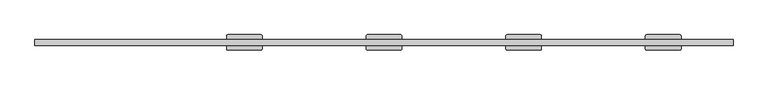
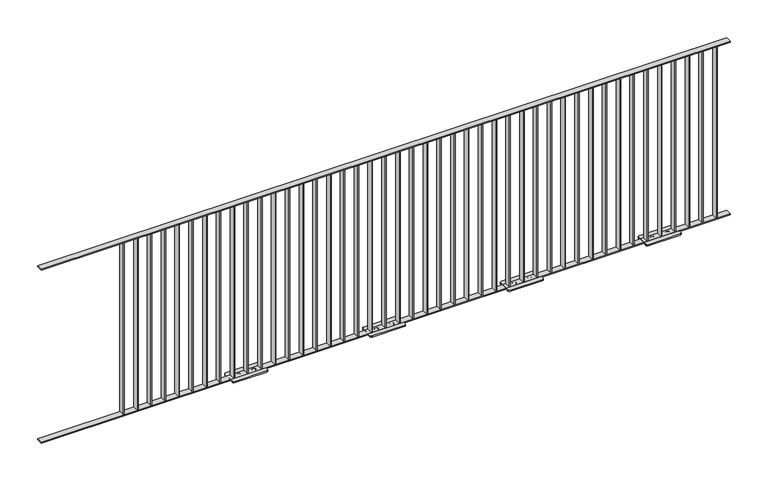
"""IFC4 building model written with IfcOpenShell, lengths in millimetres: railing geometry."""

from ifc_helpers import new_model, si_unit, frame, origin, origin_with_axes, place, context, project, spatial, polyline, circle_curve, outline, extrude, source, transform, mapped, element, save
from ifc_brep_helpers import plane_surface, cylinder_surface, revolved_surface, advanced_brep


def railing_85cb8473(model_context):
    return source(origin(), model_context, "Body", "SolidModel", [
        extrude(outline(polyline([(8392.4391725, -978.0676747), (8392.4391725, -938.0676747), (12892.4391725, -938.0676747), (12892.4391725, -978.0676747), (8392.4391725, -978.0676747)])), frame((0.0, 0.0, 1192.0), z_axis=(0.0, 0.0, 1.0), x_axis=(1.0, 0.0, 0.0)), (0.0, 0.0, 1.0), 8.0),
        extrude(outline(polyline([(8392.4391725, -978.0676747), (8392.4391725, -938.0676747), (12892.4391725, -938.0676747), (12892.4391725, -978.0676747), (8392.4391725, -978.0676747)])), origin_with_axes(), (0.0, 0.0, 1.0), 8.0),
        extrude(outline(polyline([(12799.4391725, -938.0676747), (12805.4391725, -938.0676747), (12805.4391725, -978.0676747), (12799.4391725, -978.0676747), (12799.4391725, -938.0676747)])), frame((0.0, 0.0, 8.0), z_axis=(0.0, 0.0, 1.0), x_axis=(1.0, 0.0, 0.0)), (0.0, 0.0, 1.0), 1184.0),
        extrude(outline(polyline([(12709.4391725, -938.0676747), (12715.4391725, -938.0676747), (12715.4391725, -978.0676747), (12709.4391725, -978.0676747), (12709.4391725, -938.0676747)])), frame((0.0, 0.0, 8.0), z_axis=(0.0, 0.0, 1.0), x_axis=(1.0, 0.0, 0.0)), (0.0, 0.0, 1.0), 1184.0),
        extrude(outline(polyline([(12619.4391725, -938.0676747), (12625.4391725, -938.0676747), (12625.4391725, -978.0676747), (12619.4391725, -978.0676747), (12619.4391725, -938.0676747)])), frame((0.0, 0.0, 8.0), z_axis=(0.0, 0.0, 1.0), x_axis=(1.0, 0.0, 0.0)), (0.0, 0.0, 1.0), 1184.0),
        extrude(outline(polyline([(12529.4391725, -938.0676747), (12535.4391725, -938.0676747), (12535.4391725, -978.0676747), (12529.4391725, -978.0676747), (12529.4391725, -938.0676747)])), frame((0.0, 0.0, 8.0), z_axis=(0.0, 0.0, 1.0), x_axis=(1.0, 0.0, 0.0)), (0.0, 0.0, 1.0), 1184.0),
        advanced_brep(
        [(12439.4391725, -978.0676747, 1192.0), (12439.4391725, -978.0676747, 8.0), (12445.4391725, -978.0676747, 8.0), (12445.4391725, -978.0676747, 1192.0), (12439.4391725, -938.0676747, 1192.0), (12445.4391725, -938.0676747, 1192.0), (12445.4391725, -938.0676747, 8.0), (12439.4391725, -938.0676747, 8.0), (12337.4391725, -908.0676747, 8.0), (12327.4391725, -918.0676747, 8.0), (12327.4391725, -998.0676747, 8.0), (12337.4391725, -1008.0676747, 8.0), (12547.4391725, -1008.0676747, 8.0), (12557.4391725, -998.0676747, 8.0), (12557.4391725, -918.0676747, 8.0), (12547.4391725, -908.0676747, 8.0), (12388.4391725, -951.0676747, 8.0), (12396.4391725, -951.0676747, 8.0), (12396.4391725, -965.0676747, 8.0), (12388.4391725, -965.0676747, 8.0), (12496.4391725, -951.0676747, 8.0), (12496.4391725, -965.0676747, 8.0), (12488.4391725, -965.0676747, 8.0), (12488.4391725, -951.0676747, 8.0), (12337.4391725, -908.0676747, 0.0), (12547.4391725, -908.0676747, 0.0), (12557.4391725, -918.0676747, 0.0), (12557.4391725, -998.0676747, 0.0), (12547.4391725, -1008.0676747, 0.0), (12337.4391725, -1008.0676747, 0.0), (12327.4391725, -998.0676747, 0.0), (12327.4391725, -918.0676747, 0.0), (12388.4391725, -951.0676747, 0.0), (12388.4391725, -965.0676747, 0.0), (12396.4391725, -965.0676747, 0.0), (12396.4391725, -951.0676747, 0.0), (12496.4391725, -951.0676747, 0.0), (12488.4391725, -951.0676747, 0.0), (12488.4391725, -965.0676747, 0.0), (12496.4391725, -965.0676747, 0.0)],
        [
            (0, 1),
            (1, 2),
            (2, 3),
            (3, 0),
            (4, 5),
            (5, 6),
            (6, 7),
            (7, 4),
            (3, 5),
            (4, 0),
            (7, 1),
            (2, 6),
            (8, 9, circle_curve(frame((12337.4391725, -918.0676747, 8.0), z_axis=(0.0, 0.0, 1.0), x_axis=(0.0, 1.0, 0.0)), 10.0)),
            (9, 10),
            (10, 11, circle_curve(frame((12337.4391725, -998.0676747, 8.0), z_axis=(0.0, 0.0, 1.0), x_axis=(0.0, 1.0, 0.0)), 10.0)),
            (11, 12),
            (12, 13, circle_curve(frame((12547.4391725, -998.0676747, 8.0), z_axis=(0.0, 0.0, 1.0), x_axis=(0.0, 1.0, 0.0)), 10.0)),
            (13, 14),
            (14, 15, circle_curve(frame((12547.4391725, -918.0676747, 8.0), z_axis=(0.0, 0.0, 1.0), x_axis=(0.0, 1.0, 0.0)), 10.0)),
            (15, 8),
            (16, 17),
            (17, 18, circle_curve(frame((12396.4391725, -958.0676747, 8.0), z_axis=(0.0, 0.0, -1.0), x_axis=(0.0, 1.0, 0.0)), 7.0)),
            (18, 19),
            (19, 16, circle_curve(frame((12388.4391725, -958.0676747, 8.0), z_axis=(0.0, 0.0, -1.0), x_axis=(0.0, 1.0, 0.0)), 7.0)),
            (20, 21, circle_curve(frame((12496.4391725, -958.0676747, 8.0), z_axis=(0.0, 0.0, -1.0), x_axis=(0.0, 1.0, 0.0)), 7.0)),
            (21, 22),
            (22, 23, circle_curve(frame((12488.4391725, -958.0676747, 8.0), z_axis=(0.0, 0.0, -1.0), x_axis=(0.0, 1.0, 0.0)), 7.0)),
            (23, 20),
            (24, 25),
            (25, 26, circle_curve(frame((12547.4391725, -918.0676747, 0.0), z_axis=(0.0, 0.0, -1.0), x_axis=(0.0, 1.0, 0.0)), 10.0)),
            (26, 27),
            (27, 28, circle_curve(frame((12547.4391725, -998.0676747, 0.0), z_axis=(0.0, 0.0, -1.0), x_axis=(0.0, 1.0, 0.0)), 10.0)),
            (28, 29),
            (29, 30, circle_curve(frame((12337.4391725, -998.0676747, 0.0), z_axis=(0.0, 0.0, -1.0), x_axis=(0.0, 1.0, 0.0)), 10.0)),
            (30, 31),
            (31, 24, circle_curve(frame((12337.4391725, -918.0676747, 0.0), z_axis=(0.0, 0.0, -1.0), x_axis=(0.0, 1.0, 0.0)), 10.0)),
            (32, 33, circle_curve(frame((12388.4391725, -958.0676747, 0.0), z_axis=(0.0, 0.0, 1.0), x_axis=(0.0, 1.0, 0.0)), 7.0)),
            (33, 34),
            (34, 35, circle_curve(frame((12396.4391725, -958.0676747, 0.0), z_axis=(0.0, 0.0, 1.0), x_axis=(0.0, 1.0, 0.0)), 7.0)),
            (35, 32),
            (36, 37),
            (37, 38, circle_curve(frame((12488.4391725, -958.0676747, 0.0), z_axis=(0.0, 0.0, 1.0), x_axis=(0.0, 1.0, 0.0)), 7.0)),
            (38, 39),
            (39, 36, circle_curve(frame((12496.4391725, -958.0676747, 0.0), z_axis=(0.0, 0.0, 1.0), x_axis=(0.0, 1.0, 0.0)), 7.0)),
            (8, 24),
            (31, 9),
            (30, 10),
            (29, 11),
            (28, 12),
            (27, 13),
            (26, 14),
            (25, 15),
            (16, 32),
            (35, 17),
            (34, 18),
            (33, 19),
            (20, 36),
            (39, 21),
            (38, 22),
            (37, 23),
        ],
        [
            plane_surface(frame((12439.4391725, -978.0676747, 1192.0), z_axis=(0.0, -1.0, 0.0), x_axis=(-1.0, 0.0, 0.0))),
            plane_surface(frame((12439.4391725, -938.0676747, 1192.0), z_axis=(0.0, 1.0, 0.0), x_axis=(1.0, 0.0, 0.0))),
            plane_surface(frame((12439.4391725, -938.0676747, 1192.0), z_axis=(0.0, 0.0, 1.0), x_axis=(0.0, -1.0, 0.0))),
            plane_surface(frame((12439.4391725, -938.0676747, 8.0), z_axis=(-1.0, 0.0, 0.0), x_axis=(0.0, -1.0, 0.0))),
            plane_surface(frame((12445.4391725, -938.0676747, 1192.0), z_axis=(1.0, 0.0, 0.0), x_axis=(0.0, -1.0, 0.0))),
            plane_surface(frame((12337.4391725, -908.0676747, 8.0), z_axis=(0.0, 0.0, 1.0), x_axis=(-1.0, 0.0, 0.0))),
            plane_surface(frame((12337.4391725, -908.0676747, 0.0), z_axis=(0.0, 0.0, -1.0), x_axis=(1.0, 0.0, 0.0))),
            cylinder_surface(frame((12337.4391725, -918.0676747, 0.0), z_axis=(0.0, 0.0, 1.0), x_axis=(0.0, 1.0, 0.0)), 10.0),
            plane_surface(frame((12327.4391725, -918.0676747, 8.0), z_axis=(-1.0, 0.0, 0.0), x_axis=(0.0, 0.0, -1.0))),
            cylinder_surface(frame((12337.4391725, -998.0676747, 0.0), z_axis=(0.0, 0.0, 1.0), x_axis=(0.0, 1.0, 0.0)), 10.0),
            plane_surface(frame((12337.4391725, -1008.0676747, 8.0), z_axis=(0.0, -1.0, 0.0), x_axis=(0.0, 0.0, -1.0))),
            cylinder_surface(frame((12547.4391725, -998.0676747, 0.0), z_axis=(0.0, 0.0, 1.0), x_axis=(0.0, 1.0, 0.0)), 10.0),
            plane_surface(frame((12557.4391725, -998.0676747, 8.0), z_axis=(1.0, 0.0, 0.0), x_axis=(0.0, 0.0, -1.0))),
            cylinder_surface(frame((12547.4391725, -918.0676747, 0.0), z_axis=(0.0, 0.0, 1.0), x_axis=(0.0, 1.0, 0.0)), 10.0),
            plane_surface(frame((12547.4391725, -908.0676747, 8.0), z_axis=(0.0, 1.0, 0.0), x_axis=(0.0, 0.0, -1.0))),
            plane_surface(frame((12388.4391725, -951.0676747, 8.0), z_axis=(0.0, -1.0, 0.0), x_axis=(0.0, 0.0, -1.0))),
            revolved_surface(polyline([(12396.4391725, -951.0676747, 0.0), (12396.4391725, -951.0676747, 8.0)]), (12396.4391725, -958.0676747, 8.0), (0.0, 0.0, -1.0)),
            plane_surface(frame((12396.4391725, -965.0676747, 8.0), z_axis=(0.0, 1.0, 0.0), x_axis=(0.0, 0.0, -1.0))),
            revolved_surface(polyline([(12388.4391725, -951.0676747, 0.0), (12388.4391725, -951.0676747, 8.0)]), (12388.4391725, -958.0676747, 8.0), (0.0, 0.0, -1.0)),
            revolved_surface(polyline([(12496.4391725, -951.0676747, 0.0), (12496.4391725, -951.0676747, 8.0)]), (12496.4391725, -958.0676747, 8.0), (0.0, 0.0, -1.0)),
            plane_surface(frame((12496.4391725, -965.0676747, 8.0), z_axis=(0.0, 1.0, 0.0), x_axis=(0.0, 0.0, -1.0))),
            revolved_surface(polyline([(12488.4391725, -951.0676747, 0.0), (12488.4391725, -951.0676747, 8.0)]), (12488.4391725, -958.0676747, 8.0), (0.0, 0.0, -1.0)),
            plane_surface(frame((12488.4391725, -951.0676747, 8.0), z_axis=(0.0, -1.0, 0.0), x_axis=(0.0, 0.0, -1.0))),
        ],
        [
            (0, [[1, 2, 3, 4]]),
            (1, [[5, 6, 7, 8]]),
            (2, [[-4, 9, -5, 10]]),
            (3, [[-1, -10, -8, 11]]),
            (4, [[-3, 12, -6, -9]]),
            (5, [[13, 14, 15, 16, 17, 18, 19, 20], [-2, -11, -7, -12], [21, 22, 23, 24], [25, 26, 27, 28]]),
            (6, [[29, 30, 31, 32, 33, 34, 35, 36], [37, 38, 39, 40], [41, 42, 43, 44]]),
            (7, [[-13, 45, -36, 46]]),
            (8, [[-14, -46, -35, 47]]),
            (9, [[-15, -47, -34, 48]]),
            (10, [[-16, -48, -33, 49]]),
            (11, [[-17, -49, -32, 50]]),
            (12, [[-18, -50, -31, 51]]),
            (13, [[-19, -51, -30, 52]]),
            (14, [[-20, -52, -29, -45]]),
            (15, [[-21, 53, -40, 54]]),
            (16, [[-22, -54, -39, 55]]),
            (17, [[-23, -55, -38, 56]]),
            (18, [[-24, -56, -37, -53]]),
            (19, [[-25, 57, -44, 58]]),
            (20, [[-26, -58, -43, 59]]),
            (21, [[-27, -59, -42, 60]]),
            (22, [[-28, -60, -41, -57]]),
        ],
    ),
        extrude(outline(polyline([(12349.4391725, -938.0676747), (12355.4391725, -938.0676747), (12355.4391725, -978.0676747), (12349.4391725, -978.0676747), (12349.4391725, -938.0676747)])), frame((0.0, 0.0, 8.0), z_axis=(0.0, 0.0, 1.0), x_axis=(1.0, 0.0, 0.0)), (0.0, 0.0, 1.0), 1184.0),
        extrude(outline(polyline([(12259.4391725, -938.0676747), (12265.4391725, -938.0676747), (12265.4391725, -978.0676747), (12259.4391725, -978.0676747), (12259.4391725, -938.0676747)])), frame((0.0, 0.0, 8.0), z_axis=(0.0, 0.0, 1.0), x_axis=(1.0, 0.0, 0.0)), (0.0, 0.0, 1.0), 1184.0),
        extrude(outline(polyline([(12169.4391725, -938.0676747), (12175.4391725, -938.0676747), (12175.4391725, -978.0676747), (12169.4391725, -978.0676747), (12169.4391725, -938.0676747)])), frame((0.0, 0.0, 8.0), z_axis=(0.0, 0.0, 1.0), x_axis=(1.0, 0.0, 0.0)), (0.0, 0.0, 1.0), 1184.0),
        extrude(outline(polyline([(12079.4391725, -938.0676747), (12085.4391725, -938.0676747), (12085.4391725, -978.0676747), (12079.4391725, -978.0676747), (12079.4391725, -938.0676747)])), frame((0.0, 0.0, 8.0), z_axis=(0.0, 0.0, 1.0), x_axis=(1.0, 0.0, 0.0)), (0.0, 0.0, 1.0), 1184.0),
        extrude(outline(polyline([(11989.4391725, -938.0676747), (11995.4391725, -938.0676747), (11995.4391725, -978.0676747), (11989.4391725, -978.0676747), (11989.4391725, -938.0676747)])), frame((0.0, 0.0, 8.0), z_axis=(0.0, 0.0, 1.0), x_axis=(1.0, 0.0, 0.0)), (0.0, 0.0, 1.0), 1184.0),
        extrude(outline(polyline([(11899.4391725, -938.0676747), (11905.4391725, -938.0676747), (11905.4391725, -978.0676747), (11899.4391725, -978.0676747), (11899.4391725, -938.0676747)])), frame((0.0, 0.0, 8.0), z_axis=(0.0, 0.0, 1.0), x_axis=(1.0, 0.0, 0.0)), (0.0, 0.0, 1.0), 1184.0),
        extrude(outline(polyline([(11809.4391725, -938.0676747), (11815.4391725, -938.0676747), (11815.4391725, -978.0676747), (11809.4391725, -978.0676747), (11809.4391725, -938.0676747)])), frame((0.0, 0.0, 8.0), z_axis=(0.0, 0.0, 1.0), x_axis=(1.0, 0.0, 0.0)), (0.0, 0.0, 1.0), 1184.0),
        extrude(outline(polyline([(11719.4391725, -938.0676747), (11725.4391725, -938.0676747), (11725.4391725, -978.0676747), (11719.4391725, -978.0676747), (11719.4391725, -938.0676747)])), frame((0.0, 0.0, 8.0), z_axis=(0.0, 0.0, 1.0), x_axis=(1.0, 0.0, 0.0)), (0.0, 0.0, 1.0), 1184.0),
        extrude(outline(polyline([(11629.4391725, -938.0676747), (11635.4391725, -938.0676747), (11635.4391725, -978.0676747), (11629.4391725, -978.0676747), (11629.4391725, -938.0676747)])), frame((0.0, 0.0, 8.0), z_axis=(0.0, 0.0, 1.0), x_axis=(1.0, 0.0, 0.0)), (0.0, 0.0, 1.0), 1184.0),
        advanced_brep(
        [(11539.4391725, -978.0676747, 1192.0), (11539.4391725, -978.0676747, 8.0), (11545.4391725, -978.0676747, 8.0), (11545.4391725, -978.0676747, 1192.0), (11539.4391725, -938.0676747, 1192.0), (11545.4391725, -938.0676747, 1192.0), (11545.4391725, -938.0676747, 8.0), (11539.4391725, -938.0676747, 8.0), (11437.4391725, -908.0676747, 8.0), (11427.4391725, -918.0676747, 8.0), (11427.4391725, -998.0676747, 8.0), (11437.4391725, -1008.0676747, 8.0), (11647.4391725, -1008.0676747, 8.0), (11657.4391725, -998.0676747, 8.0), (11657.4391725, -918.0676747, 8.0), (11647.4391725, -908.0676747, 8.0), (11488.4391725, -951.0676747, 8.0), (11496.4391725, -951.0676747, 8.0), (11496.4391725, -965.0676747, 8.0), (11488.4391725, -965.0676747, 8.0), (11596.4391725, -951.0676747, 8.0), (11596.4391725, -965.0676747, 8.0), (11588.4391725, -965.0676747, 8.0), (11588.4391725, -951.0676747, 8.0), (11437.4391725, -908.0676747, 0.0), (11647.4391725, -908.0676747, 0.0), (11657.4391725, -918.0676747, 0.0), (11657.4391725, -998.0676747, 0.0), (11647.4391725, -1008.0676747, 0.0), (11437.4391725, -1008.0676747, 0.0), (11427.4391725, -998.0676747, 0.0), (11427.4391725, -918.0676747, 0.0), (11488.4391725, -951.0676747, 0.0), (11488.4391725, -965.0676747, 0.0), (11496.4391725, -965.0676747, 0.0), (11496.4391725, -951.0676747, 0.0), (11596.4391725, -951.0676747, 0.0), (11588.4391725, -951.0676747, 0.0), (11588.4391725, -965.0676747, 0.0), (11596.4391725, -965.0676747, 0.0)],
        [
            (0, 1),
            (1, 2),
            (2, 3),
            (3, 0),
            (4, 5),
            (5, 6),
            (6, 7),
            (7, 4),
            (3, 5),
            (4, 0),
            (7, 1),
            (2, 6),
            (8, 9, circle_curve(frame((11437.4391725, -918.0676747, 8.0), z_axis=(0.0, 0.0, 1.0), x_axis=(0.0, 1.0, 0.0)), 10.0)),
            (9, 10),
            (10, 11, circle_curve(frame((11437.4391725, -998.0676747, 8.0), z_axis=(0.0, 0.0, 1.0), x_axis=(0.0, 1.0, 0.0)), 10.0)),
            (11, 12),
            (12, 13, circle_curve(frame((11647.4391725, -998.0676747, 8.0), z_axis=(0.0, 0.0, 1.0), x_axis=(0.0, 1.0, 0.0)), 10.0)),
            (13, 14),
            (14, 15, circle_curve(frame((11647.4391725, -918.0676747, 8.0), z_axis=(0.0, 0.0, 1.0), x_axis=(0.0, 1.0, 0.0)), 10.0)),
            (15, 8),
            (16, 17),
            (17, 18, circle_curve(frame((11496.4391725, -958.0676747, 8.0), z_axis=(0.0, 0.0, -1.0), x_axis=(0.0, 1.0, 0.0)), 7.0)),
            (18, 19),
            (19, 16, circle_curve(frame((11488.4391725, -958.0676747, 8.0), z_axis=(0.0, 0.0, -1.0), x_axis=(0.0, 1.0, 0.0)), 7.0)),
            (20, 21, circle_curve(frame((11596.4391725, -958.0676747, 8.0), z_axis=(0.0, 0.0, -1.0), x_axis=(0.0, 1.0, 0.0)), 7.0)),
            (21, 22),
            (22, 23, circle_curve(frame((11588.4391725, -958.0676747, 8.0), z_axis=(0.0, 0.0, -1.0), x_axis=(0.0, 1.0, 0.0)), 7.0)),
            (23, 20),
            (24, 25),
            (25, 26, circle_curve(frame((11647.4391725, -918.0676747, 0.0), z_axis=(0.0, 0.0, -1.0), x_axis=(0.0, 1.0, 0.0)), 10.0)),
            (26, 27),
            (27, 28, circle_curve(frame((11647.4391725, -998.0676747, 0.0), z_axis=(0.0, 0.0, -1.0), x_axis=(0.0, 1.0, 0.0)), 10.0)),
            (28, 29),
            (29, 30, circle_curve(frame((11437.4391725, -998.0676747, 0.0), z_axis=(0.0, 0.0, -1.0), x_axis=(0.0, 1.0, 0.0)), 10.0)),
            (30, 31),
            (31, 24, circle_curve(frame((11437.4391725, -918.0676747, 0.0), z_axis=(0.0, 0.0, -1.0), x_axis=(0.0, 1.0, 0.0)), 10.0)),
            (32, 33, circle_curve(frame((11488.4391725, -958.0676747, 0.0), z_axis=(0.0, 0.0, 1.0), x_axis=(0.0, 1.0, 0.0)), 7.0)),
            (33, 34),
            (34, 35, circle_curve(frame((11496.4391725, -958.0676747, 0.0), z_axis=(0.0, 0.0, 1.0), x_axis=(0.0, 1.0, 0.0)), 7.0)),
            (35, 32),
            (36, 37),
            (37, 38, circle_curve(frame((11588.4391725, -958.0676747, 0.0), z_axis=(0.0, 0.0, 1.0), x_axis=(0.0, 1.0, 0.0)), 7.0)),
            (38, 39),
            (39, 36, circle_curve(frame((11596.4391725, -958.0676747, 0.0), z_axis=(0.0, 0.0, 1.0), x_axis=(0.0, 1.0, 0.0)), 7.0)),
            (8, 24),
            (31, 9),
            (30, 10),
            (29, 11),
            (28, 12),
            (27, 13),
            (26, 14),
            (25, 15),
            (16, 32),
            (35, 17),
            (34, 18),
            (33, 19),
            (20, 36),
            (39, 21),
            (38, 22),
            (37, 23),
        ],
        [
            plane_surface(frame((11539.4391725, -978.0676747, 1192.0), z_axis=(0.0, -1.0, 0.0), x_axis=(-1.0, 0.0, 0.0))),
            plane_surface(frame((11539.4391725, -938.0676747, 1192.0), z_axis=(0.0, 1.0, 0.0), x_axis=(1.0, 0.0, 0.0))),
            plane_surface(frame((11539.4391725, -938.0676747, 1192.0), z_axis=(0.0, 0.0, 1.0), x_axis=(0.0, -1.0, 0.0))),
            plane_surface(frame((11539.4391725, -938.0676747, 8.0), z_axis=(-1.0, 0.0, 0.0), x_axis=(0.0, -1.0, 0.0))),
            plane_surface(frame((11545.4391725, -938.0676747, 1192.0), z_axis=(1.0, 0.0, 0.0), x_axis=(0.0, -1.0, 0.0))),
            plane_surface(frame((11437.4391725, -908.0676747, 8.0), z_axis=(0.0, 0.0, 1.0), x_axis=(-1.0, 0.0, 0.0))),
            plane_surface(frame((11437.4391725, -908.0676747, 0.0), z_axis=(0.0, 0.0, -1.0), x_axis=(1.0, 0.0, 0.0))),
            cylinder_surface(frame((11437.4391725, -918.0676747, 0.0), z_axis=(0.0, 0.0, 1.0), x_axis=(0.0, 1.0, 0.0)), 10.0),
            plane_surface(frame((11427.4391725, -918.0676747, 8.0), z_axis=(-1.0, 0.0, 0.0), x_axis=(0.0, 0.0, -1.0))),
            cylinder_surface(frame((11437.4391725, -998.0676747, 0.0), z_axis=(0.0, 0.0, 1.0), x_axis=(0.0, 1.0, 0.0)), 10.0),
            plane_surface(frame((11437.4391725, -1008.0676747, 8.0), z_axis=(0.0, -1.0, 0.0), x_axis=(0.0, 0.0, -1.0))),
            cylinder_surface(frame((11647.4391725, -998.0676747, 0.0), z_axis=(0.0, 0.0, 1.0), x_axis=(0.0, 1.0, 0.0)), 10.0),
            plane_surface(frame((11657.4391725, -998.0676747, 8.0), z_axis=(1.0, 0.0, 0.0), x_axis=(0.0, 0.0, -1.0))),
            cylinder_surface(frame((11647.4391725, -918.0676747, 0.0), z_axis=(0.0, 0.0, 1.0), x_axis=(0.0, 1.0, 0.0)), 10.0),
            plane_surface(frame((11647.4391725, -908.0676747, 8.0), z_axis=(0.0, 1.0, 0.0), x_axis=(0.0, 0.0, -1.0))),
            plane_surface(frame((11488.4391725, -951.0676747, 8.0), z_axis=(0.0, -1.0, 0.0), x_axis=(0.0, 0.0, -1.0))),
            revolved_surface(polyline([(11496.4391725, -951.0676747, 0.0), (11496.4391725, -951.0676747, 8.0)]), (11496.4391725, -958.0676747, 8.0), (0.0, 0.0, -1.0)),
            plane_surface(frame((11496.4391725, -965.0676747, 8.0), z_axis=(0.0, 1.0, 0.0), x_axis=(0.0, 0.0, -1.0))),
            revolved_surface(polyline([(11488.4391725, -951.0676747, 0.0), (11488.4391725, -951.0676747, 8.0)]), (11488.4391725, -958.0676747, 8.0), (0.0, 0.0, -1.0)),
            revolved_surface(polyline([(11596.4391725, -951.0676747, 0.0), (11596.4391725, -951.0676747, 8.0)]), (11596.4391725, -958.0676747, 8.0), (0.0, 0.0, -1.0)),
            plane_surface(frame((11596.4391725, -965.0676747, 8.0), z_axis=(0.0, 1.0, 0.0), x_axis=(0.0, 0.0, -1.0))),
            revolved_surface(polyline([(11588.4391725, -951.0676747, 0.0), (11588.4391725, -951.0676747, 8.0)]), (11588.4391725, -958.0676747, 8.0), (0.0, 0.0, -1.0)),
            plane_surface(frame((11588.4391725, -951.0676747, 8.0), z_axis=(0.0, -1.0, 0.0), x_axis=(0.0, 0.0, -1.0))),
        ],
        [
            (0, [[1, 2, 3, 4]]),
            (1, [[5, 6, 7, 8]]),
            (2, [[-4, 9, -5, 10]]),
            (3, [[-1, -10, -8, 11]]),
            (4, [[-3, 12, -6, -9]]),
            (5, [[13, 14, 15, 16, 17, 18, 19, 20], [-2, -11, -7, -12], [21, 22, 23, 24], [25, 26, 27, 28]]),
            (6, [[29, 30, 31, 32, 33, 34, 35, 36], [37, 38, 39, 40], [41, 42, 43, 44]]),
            (7, [[-13, 45, -36, 46]]),
            (8, [[-14, -46, -35, 47]]),
            (9, [[-15, -47, -34, 48]]),
            (10, [[-16, -48, -33, 49]]),
            (11, [[-17, -49, -32, 50]]),
            (12, [[-18, -50, -31, 51]]),
            (13, [[-19, -51, -30, 52]]),
            (14, [[-20, -52, -29, -45]]),
            (15, [[-21, 53, -40, 54]]),
            (16, [[-22, -54, -39, 55]]),
            (17, [[-23, -55, -38, 56]]),
            (18, [[-24, -56, -37, -53]]),
            (19, [[-25, 57, -44, 58]]),
            (20, [[-26, -58, -43, 59]]),
            (21, [[-27, -59, -42, 60]]),
            (22, [[-28, -60, -41, -57]]),
        ],
    ),
        extrude(outline(polyline([(11449.4391725, -938.0676747), (11455.4391725, -938.0676747), (11455.4391725, -978.0676747), (11449.4391725, -978.0676747), (11449.4391725, -938.0676747)])), frame((0.0, 0.0, 8.0), z_axis=(0.0, 0.0, 1.0), x_axis=(1.0, 0.0, 0.0)), (0.0, 0.0, 1.0), 1184.0),
        extrude(outline(polyline([(11359.4391725, -938.0676747), (11365.4391725, -938.0676747), (11365.4391725, -978.0676747), (11359.4391725, -978.0676747), (11359.4391725, -938.0676747)])), frame((0.0, 0.0, 8.0), z_axis=(0.0, 0.0, 1.0), x_axis=(1.0, 0.0, 0.0)), (0.0, 0.0, 1.0), 1184.0),
        extrude(outline(polyline([(11269.4391725, -938.0676747), (11275.4391725, -938.0676747), (11275.4391725, -978.0676747), (11269.4391725, -978.0676747), (11269.4391725, -938.0676747)])), frame((0.0, 0.0, 8.0), z_axis=(0.0, 0.0, 1.0), x_axis=(1.0, 0.0, 0.0)), (0.0, 0.0, 1.0), 1184.0),
        extrude(outline(polyline([(11179.4391725, -938.0676747), (11185.4391725, -938.0676747), (11185.4391725, -978.0676747), (11179.4391725, -978.0676747), (11179.4391725, -938.0676747)])), frame((0.0, 0.0, 8.0), z_axis=(0.0, 0.0, 1.0), x_axis=(1.0, 0.0, 0.0)), (0.0, 0.0, 1.0), 1184.0),
        extrude(outline(polyline([(11089.4391725, -938.0676747), (11095.4391725, -938.0676747), (11095.4391725, -978.0676747), (11089.4391725, -978.0676747), (11089.4391725, -938.0676747)])), frame((0.0, 0.0, 8.0), z_axis=(0.0, 0.0, 1.0), x_axis=(1.0, 0.0, 0.0)), (0.0, 0.0, 1.0), 1184.0),
        extrude(outline(polyline([(10999.4391725, -938.0676747), (11005.4391725, -938.0676747), (11005.4391725, -978.0676747), (10999.4391725, -978.0676747), (10999.4391725, -938.0676747)])), frame((0.0, 0.0, 8.0), z_axis=(0.0, 0.0, 1.0), x_axis=(1.0, 0.0, 0.0)), (0.0, 0.0, 1.0), 1184.0),
        extrude(outline(polyline([(10909.4391725, -938.0676747), (10915.4391725, -938.0676747), (10915.4391725, -978.0676747), (10909.4391725, -978.0676747), (10909.4391725, -938.0676747)])), frame((0.0, 0.0, 8.0), z_axis=(0.0, 0.0, 1.0), x_axis=(1.0, 0.0, 0.0)), (0.0, 0.0, 1.0), 1184.0),
        extrude(outline(polyline([(10819.4391725, -938.0676747), (10825.4391725, -938.0676747), (10825.4391725, -978.0676747), (10819.4391725, -978.0676747), (10819.4391725, -938.0676747)])), frame((0.0, 0.0, 8.0), z_axis=(0.0, 0.0, 1.0), x_axis=(1.0, 0.0, 0.0)), (0.0, 0.0, 1.0), 1184.0),
        extrude(outline(polyline([(10729.4391725, -938.0676747), (10735.4391725, -938.0676747), (10735.4391725, -978.0676747), (10729.4391725, -978.0676747), (10729.4391725, -938.0676747)])), frame((0.0, 0.0, 8.0), z_axis=(0.0, 0.0, 1.0), x_axis=(1.0, 0.0, 0.0)), (0.0, 0.0, 1.0), 1184.0),
        advanced_brep(
        [(10639.4391725, -978.0676747, 1192.0), (10639.4391725, -978.0676747, 8.0), (10645.4391725, -978.0676747, 8.0), (10645.4391725, -978.0676747, 1192.0), (10639.4391725, -938.0676747, 1192.0), (10645.4391725, -938.0676747, 1192.0), (10645.4391725, -938.0676747, 8.0), (10639.4391725, -938.0676747, 8.0), (10537.4391725, -908.0676747, 8.0), (10527.4391725, -918.0676747, 8.0), (10527.4391725, -998.0676747, 8.0), (10537.4391725, -1008.0676747, 8.0), (10747.4391725, -1008.0676747, 8.0), (10757.4391725, -998.0676747, 8.0), (10757.4391725, -918.0676747, 8.0), (10747.4391725, -908.0676747, 8.0), (10588.4391725, -951.0676747, 8.0), (10596.4391725, -951.0676747, 8.0), (10596.4391725, -965.0676747, 8.0), (10588.4391725, -965.0676747, 8.0), (10696.4391725, -951.0676747, 8.0), (10696.4391725, -965.0676747, 8.0), (10688.4391725, -965.0676747, 8.0), (10688.4391725, -951.0676747, 8.0), (10537.4391725, -908.0676747, 0.0), (10747.4391725, -908.0676747, 0.0), (10757.4391725, -918.0676747, 0.0), (10757.4391725, -998.0676747, 0.0), (10747.4391725, -1008.0676747, 0.0), (10537.4391725, -1008.0676747, 0.0), (10527.4391725, -998.0676747, 0.0), (10527.4391725, -918.0676747, 0.0), (10588.4391725, -951.0676747, 0.0), (10588.4391725, -965.0676747, 0.0), (10596.4391725, -965.0676747, 0.0), (10596.4391725, -951.0676747, 0.0), (10696.4391725, -951.0676747, 0.0), (10688.4391725, -951.0676747, 0.0), (10688.4391725, -965.0676747, 0.0), (10696.4391725, -965.0676747, 0.0)],
        [
            (0, 1),
            (1, 2),
            (2, 3),
            (3, 0),
            (4, 5),
            (5, 6),
            (6, 7),
            (7, 4),
            (3, 5),
            (4, 0),
            (7, 1),
            (2, 6),
            (8, 9, circle_curve(frame((10537.4391725, -918.0676747, 8.0), z_axis=(0.0, 0.0, 1.0), x_axis=(0.0, 1.0, 0.0)), 10.0)),
            (9, 10),
            (10, 11, circle_curve(frame((10537.4391725, -998.0676747, 8.0), z_axis=(0.0, 0.0, 1.0), x_axis=(0.0, 1.0, 0.0)), 10.0)),
            (11, 12),
            (12, 13, circle_curve(frame((10747.4391725, -998.0676747, 8.0), z_axis=(0.0, 0.0, 1.0), x_axis=(0.0, 1.0, 0.0)), 10.0)),
            (13, 14),
            (14, 15, circle_curve(frame((10747.4391725, -918.0676747, 8.0), z_axis=(0.0, 0.0, 1.0), x_axis=(0.0, 1.0, 0.0)), 10.0)),
            (15, 8),
            (16, 17),
            (17, 18, circle_curve(frame((10596.4391725, -958.0676747, 8.0), z_axis=(0.0, 0.0, -1.0), x_axis=(0.0, 1.0, 0.0)), 7.0)),
            (18, 19),
            (19, 16, circle_curve(frame((10588.4391725, -958.0676747, 8.0), z_axis=(0.0, 0.0, -1.0), x_axis=(0.0, 1.0, 0.0)), 7.0)),
            (20, 21, circle_curve(frame((10696.4391725, -958.0676747, 8.0), z_axis=(0.0, 0.0, -1.0), x_axis=(0.0, 1.0, 0.0)), 7.0)),
            (21, 22),
            (22, 23, circle_curve(frame((10688.4391725, -958.0676747, 8.0), z_axis=(0.0, 0.0, -1.0), x_axis=(0.0, 1.0, 0.0)), 7.0)),
            (23, 20),
            (24, 25),
            (25, 26, circle_curve(frame((10747.4391725, -918.0676747, 0.0), z_axis=(0.0, 0.0, -1.0), x_axis=(0.0, 1.0, 0.0)), 10.0)),
            (26, 27),
            (27, 28, circle_curve(frame((10747.4391725, -998.0676747, 0.0), z_axis=(0.0, 0.0, -1.0), x_axis=(0.0, 1.0, 0.0)), 10.0)),
            (28, 29),
            (29, 30, circle_curve(frame((10537.4391725, -998.0676747, 0.0), z_axis=(0.0, 0.0, -1.0), x_axis=(0.0, 1.0, 0.0)), 10.0)),
            (30, 31),
            (31, 24, circle_curve(frame((10537.4391725, -918.0676747, 0.0), z_axis=(0.0, 0.0, -1.0), x_axis=(0.0, 1.0, 0.0)), 10.0)),
            (32, 33, circle_curve(frame((10588.4391725, -958.0676747, 0.0), z_axis=(0.0, 0.0, 1.0), x_axis=(0.0, 1.0, 0.0)), 7.0)),
            (33, 34),
            (34, 35, circle_curve(frame((10596.4391725, -958.0676747, 0.0), z_axis=(0.0, 0.0, 1.0), x_axis=(0.0, 1.0, 0.0)), 7.0)),
            (35, 32),
            (36, 37),
            (37, 38, circle_curve(frame((10688.4391725, -958.0676747, 0.0), z_axis=(0.0, 0.0, 1.0), x_axis=(0.0, 1.0, 0.0)), 7.0)),
            (38, 39),
            (39, 36, circle_curve(frame((10696.4391725, -958.0676747, 0.0), z_axis=(0.0, 0.0, 1.0), x_axis=(0.0, 1.0, 0.0)), 7.0)),
            (8, 24),
            (31, 9),
            (30, 10),
            (29, 11),
            (28, 12),
            (27, 13),
            (26, 14),
            (25, 15),
            (16, 32),
            (35, 17),
            (34, 18),
            (33, 19),
            (20, 36),
            (39, 21),
            (38, 22),
            (37, 23),
        ],
        [
            plane_surface(frame((10639.4391725, -978.0676747, 1192.0), z_axis=(0.0, -1.0, 0.0), x_axis=(-1.0, 0.0, 0.0))),
            plane_surface(frame((10639.4391725, -938.0676747, 1192.0), z_axis=(0.0, 1.0, 0.0), x_axis=(1.0, 0.0, 0.0))),
            plane_surface(frame((10639.4391725, -938.0676747, 1192.0), z_axis=(0.0, 0.0, 1.0), x_axis=(0.0, -1.0, 0.0))),
            plane_surface(frame((10639.4391725, -938.0676747, 8.0), z_axis=(-1.0, 0.0, 0.0), x_axis=(0.0, -1.0, 0.0))),
            plane_surface(frame((10645.4391725, -938.0676747, 1192.0), z_axis=(1.0, 0.0, 0.0), x_axis=(0.0, -1.0, 0.0))),
            plane_surface(frame((10537.4391725, -908.0676747, 8.0), z_axis=(0.0, 0.0, 1.0), x_axis=(-1.0, 0.0, 0.0))),
            plane_surface(frame((10537.4391725, -908.0676747, 0.0), z_axis=(0.0, 0.0, -1.0), x_axis=(1.0, 0.0, 0.0))),
            cylinder_surface(frame((10537.4391725, -918.0676747, 0.0), z_axis=(0.0, 0.0, 1.0), x_axis=(0.0, 1.0, 0.0)), 10.0),
            plane_surface(frame((10527.4391725, -918.0676747, 8.0), z_axis=(-1.0, 0.0, 0.0), x_axis=(0.0, 0.0, -1.0))),
            cylinder_surface(frame((10537.4391725, -998.0676747, 0.0), z_axis=(0.0, 0.0, 1.0), x_axis=(0.0, 1.0, 0.0)), 10.0),
            plane_surface(frame((10537.4391725, -1008.0676747, 8.0), z_axis=(0.0, -1.0, 0.0), x_axis=(0.0, 0.0, -1.0))),
            cylinder_surface(frame((10747.4391725, -998.0676747, 0.0), z_axis=(0.0, 0.0, 1.0), x_axis=(0.0, 1.0, 0.0)), 10.0),
            plane_surface(frame((10757.4391725, -998.0676747, 8.0), z_axis=(1.0, 0.0, 0.0), x_axis=(0.0, 0.0, -1.0))),
            cylinder_surface(frame((10747.4391725, -918.0676747, 0.0), z_axis=(0.0, 0.0, 1.0), x_axis=(0.0, 1.0, 0.0)), 10.0),
            plane_surface(frame((10747.4391725, -908.0676747, 8.0), z_axis=(0.0, 1.0, 0.0), x_axis=(0.0, 0.0, -1.0))),
            plane_surface(frame((10588.4391725, -951.0676747, 8.0), z_axis=(0.0, -1.0, 0.0), x_axis=(0.0, 0.0, -1.0))),
            revolved_surface(polyline([(10596.4391725, -951.0676747, 0.0), (10596.4391725, -951.0676747, 8.0)]), (10596.4391725, -958.0676747, 8.0), (0.0, 0.0, -1.0)),
            plane_surface(frame((10596.4391725, -965.0676747, 8.0), z_axis=(0.0, 1.0, 0.0), x_axis=(0.0, 0.0, -1.0))),
            revolved_surface(polyline([(10588.4391725, -951.0676747, 0.0), (10588.4391725, -951.0676747, 8.0)]), (10588.4391725, -958.0676747, 8.0), (0.0, 0.0, -1.0)),
            revolved_surface(polyline([(10696.4391725, -951.0676747, 0.0), (10696.4391725, -951.0676747, 8.0)]), (10696.4391725, -958.0676747, 8.0), (0.0, 0.0, -1.0)),
            plane_surface(frame((10696.4391725, -965.0676747, 8.0), z_axis=(0.0, 1.0, 0.0), x_axis=(0.0, 0.0, -1.0))),
            revolved_surface(polyline([(10688.4391725, -951.0676747, 0.0), (10688.4391725, -951.0676747, 8.0)]), (10688.4391725, -958.0676747, 8.0), (0.0, 0.0, -1.0)),
            plane_surface(frame((10688.4391725, -951.0676747, 8.0), z_axis=(0.0, -1.0, 0.0), x_axis=(0.0, 0.0, -1.0))),
        ],
        [
            (0, [[1, 2, 3, 4]]),
            (1, [[5, 6, 7, 8]]),
            (2, [[-4, 9, -5, 10]]),
            (3, [[-1, -10, -8, 11]]),
            (4, [[-3, 12, -6, -9]]),
            (5, [[13, 14, 15, 16, 17, 18, 19, 20], [-2, -11, -7, -12], [21, 22, 23, 24], [25, 26, 27, 28]]),
            (6, [[29, 30, 31, 32, 33, 34, 35, 36], [37, 38, 39, 40], [41, 42, 43, 44]]),
            (7, [[-13, 45, -36, 46]]),
            (8, [[-14, -46, -35, 47]]),
            (9, [[-15, -47, -34, 48]]),
            (10, [[-16, -48, -33, 49]]),
            (11, [[-17, -49, -32, 50]]),
            (12, [[-18, -50, -31, 51]]),
            (13, [[-19, -51, -30, 52]]),
            (14, [[-20, -52, -29, -45]]),
            (15, [[-21, 53, -40, 54]]),
            (16, [[-22, -54, -39, 55]]),
            (17, [[-23, -55, -38, 56]]),
            (18, [[-24, -56, -37, -53]]),
            (19, [[-25, 57, -44, 58]]),
            (20, [[-26, -58, -43, 59]]),
            (21, [[-27, -59, -42, 60]]),
            (22, [[-28, -60, -41, -57]]),
        ],
    ),
        extrude(outline(polyline([(10549.4391725, -938.0676747), (10555.4391725, -938.0676747), (10555.4391725, -978.0676747), (10549.4391725, -978.0676747), (10549.4391725, -938.0676747)])), frame((0.0, 0.0, 8.0), z_axis=(0.0, 0.0, 1.0), x_axis=(1.0, 0.0, 0.0)), (0.0, 0.0, 1.0), 1184.0),
        extrude(outline(polyline([(10459.4391725, -938.0676747), (10465.4391725, -938.0676747), (10465.4391725, -978.0676747), (10459.4391725, -978.0676747), (10459.4391725, -938.0676747)])), frame((0.0, 0.0, 8.0), z_axis=(0.0, 0.0, 1.0), x_axis=(1.0, 0.0, 0.0)), (0.0, 0.0, 1.0), 1184.0),
        extrude(outline(polyline([(10369.4391725, -938.0676747), (10375.4391725, -938.0676747), (10375.4391725, -978.0676747), (10369.4391725, -978.0676747), (10369.4391725, -938.0676747)])), frame((0.0, 0.0, 8.0), z_axis=(0.0, 0.0, 1.0), x_axis=(1.0, 0.0, 0.0)), (0.0, 0.0, 1.0), 1184.0),
        extrude(outline(polyline([(10279.4391725, -938.0676747), (10285.4391725, -938.0676747), (10285.4391725, -978.0676747), (10279.4391725, -978.0676747), (10279.4391725, -938.0676747)])), frame((0.0, 0.0, 8.0), z_axis=(0.0, 0.0, 1.0), x_axis=(1.0, 0.0, 0.0)), (0.0, 0.0, 1.0), 1184.0),
        extrude(outline(polyline([(10189.4391725, -938.0676747), (10195.4391725, -938.0676747), (10195.4391725, -978.0676747), (10189.4391725, -978.0676747), (10189.4391725, -938.0676747)])), frame((0.0, 0.0, 8.0), z_axis=(0.0, 0.0, 1.0), x_axis=(1.0, 0.0, 0.0)), (0.0, 0.0, 1.0), 1184.0),
        extrude(outline(polyline([(10099.4391725, -938.0676747), (10105.4391725, -938.0676747), (10105.4391725, -978.0676747), (10099.4391725, -978.0676747), (10099.4391725, -938.0676747)])), frame((0.0, 0.0, 8.0), z_axis=(0.0, 0.0, 1.0), x_axis=(1.0, 0.0, 0.0)), (0.0, 0.0, 1.0), 1184.0),
        extrude(outline(polyline([(10009.4391725, -938.0676747), (10015.4391725, -938.0676747), (10015.4391725, -978.0676747), (10009.4391725, -978.0676747), (10009.4391725, -938.0676747)])), frame((0.0, 0.0, 8.0), z_axis=(0.0, 0.0, 1.0), x_axis=(1.0, 0.0, 0.0)), (0.0, 0.0, 1.0), 1184.0),
        extrude(outline(polyline([(9919.4391725, -938.0676747), (9925.4391725, -938.0676747), (9925.4391725, -978.0676747), (9919.4391725, -978.0676747), (9919.4391725, -938.0676747)])), frame((0.0, 0.0, 8.0), z_axis=(0.0, 0.0, 1.0), x_axis=(1.0, 0.0, 0.0)), (0.0, 0.0, 1.0), 1184.0),
        extrude(outline(polyline([(9829.4391725, -938.0676747), (9835.4391725, -938.0676747), (9835.4391725, -978.0676747), (9829.4391725, -978.0676747), (9829.4391725, -938.0676747)])), frame((0.0, 0.0, 8.0), z_axis=(0.0, 0.0, 1.0), x_axis=(1.0, 0.0, 0.0)), (0.0, 0.0, 1.0), 1184.0),
        advanced_brep(
        [(9739.4391725, -978.0676747, 1192.0), (9739.4391725, -978.0676747, 8.0), (9745.4391725, -978.0676747, 8.0), (9745.4391725, -978.0676747, 1192.0), (9739.4391725, -938.0676747, 1192.0), (9745.4391725, -938.0676747, 1192.0), (9745.4391725, -938.0676747, 8.0), (9739.4391725, -938.0676747, 8.0), (9637.4391725, -908.0676747, 8.0), (9627.4391725, -918.0676747, 8.0), (9627.4391725, -998.0676747, 8.0), (9637.4391725, -1008.0676747, 8.0), (9847.4391725, -1008.0676747, 8.0), (9857.4391725, -998.0676747, 8.0), (9857.4391725, -918.0676747, 8.0), (9847.4391725, -908.0676747, 8.0), (9688.4391725, -951.0676747, 8.0), (9696.4391725, -951.0676747, 8.0), (9696.4391725, -965.0676747, 8.0), (9688.4391725, -965.0676747, 8.0), (9796.4391725, -951.0676747, 8.0), (9796.4391725, -965.0676747, 8.0), (9788.4391725, -965.0676747, 8.0), (9788.4391725, -951.0676747, 8.0), (9637.4391725, -908.0676747, 0.0), (9847.4391725, -908.0676747, 0.0), (9857.4391725, -918.0676747, 0.0), (9857.4391725, -998.0676747, 0.0), (9847.4391725, -1008.0676747, 0.0), (9637.4391725, -1008.0676747, 0.0), (9627.4391725, -998.0676747, 0.0), (9627.4391725, -918.0676747, 0.0), (9688.4391725, -951.0676747, 0.0), (9688.4391725, -965.0676747, 0.0), (9696.4391725, -965.0676747, 0.0), (9696.4391725, -951.0676747, 0.0), (9796.4391725, -951.0676747, 0.0), (9788.4391725, -951.0676747, 0.0), (9788.4391725, -965.0676747, 0.0), (9796.4391725, -965.0676747, 0.0)],
        [
            (0, 1),
            (1, 2),
            (2, 3),
            (3, 0),
            (4, 5),
            (5, 6),
            (6, 7),
            (7, 4),
            (3, 5),
            (4, 0),
            (7, 1),
            (2, 6),
            (8, 9, circle_curve(frame((9637.4391725, -918.0676747, 8.0), z_axis=(0.0, 0.0, 1.0), x_axis=(0.0, 1.0, 0.0)), 10.0)),
            (9, 10),
            (10, 11, circle_curve(frame((9637.4391725, -998.0676747, 8.0), z_axis=(0.0, 0.0, 1.0), x_axis=(0.0, 1.0, 0.0)), 10.0)),
            (11, 12),
            (12, 13, circle_curve(frame((9847.4391725, -998.0676747, 8.0), z_axis=(0.0, 0.0, 1.0), x_axis=(0.0, 1.0, 0.0)), 10.0)),
            (13, 14),
            (14, 15, circle_curve(frame((9847.4391725, -918.0676747, 8.0), z_axis=(0.0, 0.0, 1.0), x_axis=(0.0, 1.0, 0.0)), 10.0)),
            (15, 8),
            (16, 17),
            (17, 18, circle_curve(frame((9696.4391725, -958.0676747, 8.0), z_axis=(0.0, 0.0, -1.0), x_axis=(0.0, 1.0, 0.0)), 7.0)),
            (18, 19),
            (19, 16, circle_curve(frame((9688.4391725, -958.0676747, 8.0), z_axis=(0.0, 0.0, -1.0), x_axis=(0.0, 1.0, 0.0)), 7.0)),
            (20, 21, circle_curve(frame((9796.4391725, -958.0676747, 8.0), z_axis=(0.0, 0.0, -1.0), x_axis=(0.0, 1.0, 0.0)), 7.0)),
            (21, 22),
            (22, 23, circle_curve(frame((9788.4391725, -958.0676747, 8.0), z_axis=(0.0, 0.0, -1.0), x_axis=(0.0, 1.0, 0.0)), 7.0)),
            (23, 20),
            (24, 25),
            (25, 26, circle_curve(frame((9847.4391725, -918.0676747, 0.0), z_axis=(0.0, 0.0, -1.0), x_axis=(0.0, 1.0, 0.0)), 10.0)),
            (26, 27),
            (27, 28, circle_curve(frame((9847.4391725, -998.0676747, 0.0), z_axis=(0.0, 0.0, -1.0), x_axis=(0.0, 1.0, 0.0)), 10.0)),
            (28, 29),
            (29, 30, circle_curve(frame((9637.4391725, -998.0676747, 0.0), z_axis=(0.0, 0.0, -1.0), x_axis=(0.0, 1.0, 0.0)), 10.0)),
            (30, 31),
            (31, 24, circle_curve(frame((9637.4391725, -918.0676747, 0.0), z_axis=(0.0, 0.0, -1.0), x_axis=(0.0, 1.0, 0.0)), 10.0)),
            (32, 33, circle_curve(frame((9688.4391725, -958.0676747, 0.0), z_axis=(0.0, 0.0, 1.0), x_axis=(0.0, 1.0, 0.0)), 7.0)),
            (33, 34),
            (34, 35, circle_curve(frame((9696.4391725, -958.0676747, 0.0), z_axis=(0.0, 0.0, 1.0), x_axis=(0.0, 1.0, 0.0)), 7.0)),
            (35, 32),
            (36, 37),
            (37, 38, circle_curve(frame((9788.4391725, -958.0676747, 0.0), z_axis=(0.0, 0.0, 1.0), x_axis=(0.0, 1.0, 0.0)), 7.0)),
            (38, 39),
            (39, 36, circle_curve(frame((9796.4391725, -958.0676747, 0.0), z_axis=(0.0, 0.0, 1.0), x_axis=(0.0, 1.0, 0.0)), 7.0)),
            (8, 24),
            (31, 9),
            (30, 10),
            (29, 11),
            (28, 12),
            (27, 13),
            (26, 14),
            (25, 15),
            (16, 32),
            (35, 17),
            (34, 18),
            (33, 19),
            (20, 36),
            (39, 21),
            (38, 22),
            (37, 23),
        ],
        [
            plane_surface(frame((9739.4391725, -978.0676747, 1192.0), z_axis=(0.0, -1.0, 0.0), x_axis=(-1.0, 0.0, 0.0))),
            plane_surface(frame((9739.4391725, -938.0676747, 1192.0), z_axis=(0.0, 1.0, 0.0), x_axis=(1.0, 0.0, 0.0))),
            plane_surface(frame((9739.4391725, -938.0676747, 1192.0), z_axis=(0.0, 0.0, 1.0), x_axis=(0.0, -1.0, 0.0))),
            plane_surface(frame((9739.4391725, -938.0676747, 8.0), z_axis=(-1.0, 0.0, 0.0), x_axis=(0.0, -1.0, 0.0))),
            plane_surface(frame((9745.4391725, -938.0676747, 1192.0), z_axis=(1.0, 0.0, 0.0), x_axis=(0.0, -1.0, 0.0))),
            plane_surface(frame((9637.4391725, -908.0676747, 8.0), z_axis=(0.0, 0.0, 1.0), x_axis=(-1.0, 0.0, 0.0))),
            plane_surface(frame((9637.4391725, -908.0676747, 0.0), z_axis=(0.0, 0.0, -1.0), x_axis=(1.0, 0.0, 0.0))),
            cylinder_surface(frame((9637.4391725, -918.0676747, 0.0), z_axis=(0.0, 0.0, 1.0), x_axis=(0.0, 1.0, 0.0)), 10.0),
            plane_surface(frame((9627.4391725, -918.0676747, 8.0), z_axis=(-1.0, 0.0, 0.0), x_axis=(0.0, 0.0, -1.0))),
            cylinder_surface(frame((9637.4391725, -998.0676747, 0.0), z_axis=(0.0, 0.0, 1.0), x_axis=(0.0, 1.0, 0.0)), 10.0),
            plane_surface(frame((9637.4391725, -1008.0676747, 8.0), z_axis=(0.0, -1.0, 0.0), x_axis=(0.0, 0.0, -1.0))),
            cylinder_surface(frame((9847.4391725, -998.0676747, 0.0), z_axis=(0.0, 0.0, 1.0), x_axis=(0.0, 1.0, 0.0)), 10.0),
            plane_surface(frame((9857.4391725, -998.0676747, 8.0), z_axis=(1.0, 0.0, 0.0), x_axis=(0.0, 0.0, -1.0))),
            cylinder_surface(frame((9847.4391725, -918.0676747, 0.0), z_axis=(0.0, 0.0, 1.0), x_axis=(0.0, 1.0, 0.0)), 10.0),
            plane_surface(frame((9847.4391725, -908.0676747, 8.0), z_axis=(0.0, 1.0, 0.0), x_axis=(0.0, 0.0, -1.0))),
            plane_surface(frame((9688.4391725, -951.0676747, 8.0), z_axis=(0.0, -1.0, 0.0), x_axis=(0.0, 0.0, -1.0))),
            revolved_surface(polyline([(9696.4391725, -951.0676747, 0.0), (9696.4391725, -951.0676747, 8.0)]), (9696.4391725, -958.0676747, 8.0), (0.0, 0.0, -1.0)),
            plane_surface(frame((9696.4391725, -965.0676747, 8.0), z_axis=(0.0, 1.0, 0.0), x_axis=(0.0, 0.0, -1.0))),
            revolved_surface(polyline([(9688.4391725, -951.0676747, 0.0), (9688.4391725, -951.0676747, 8.0)]), (9688.4391725, -958.0676747, 8.0), (0.0, 0.0, -1.0)),
            revolved_surface(polyline([(9796.4391725, -951.0676747, 0.0), (9796.4391725, -951.0676747, 8.0)]), (9796.4391725, -958.0676747, 8.0), (0.0, 0.0, -1.0)),
            plane_surface(frame((9796.4391725, -965.0676747, 8.0), z_axis=(0.0, 1.0, 0.0), x_axis=(0.0, 0.0, -1.0))),
            revolved_surface(polyline([(9788.4391725, -951.0676747, 0.0), (9788.4391725, -951.0676747, 8.0)]), (9788.4391725, -958.0676747, 8.0), (0.0, 0.0, -1.0)),
            plane_surface(frame((9788.4391725, -951.0676747, 8.0), z_axis=(0.0, -1.0, 0.0), x_axis=(0.0, 0.0, -1.0))),
        ],
        [
            (0, [[1, 2, 3, 4]]),
            (1, [[5, 6, 7, 8]]),
            (2, [[-4, 9, -5, 10]]),
            (3, [[-1, -10, -8, 11]]),
            (4, [[-3, 12, -6, -9]]),
            (5, [[13, 14, 15, 16, 17, 18, 19, 20], [-2, -11, -7, -12], [21, 22, 23, 24], [25, 26, 27, 28]]),
            (6, [[29, 30, 31, 32, 33, 34, 35, 36], [37, 38, 39, 40], [41, 42, 43, 44]]),
            (7, [[-13, 45, -36, 46]]),
            (8, [[-14, -46, -35, 47]]),
            (9, [[-15, -47, -34, 48]]),
            (10, [[-16, -48, -33, 49]]),
            (11, [[-17, -49, -32, 50]]),
            (12, [[-18, -50, -31, 51]]),
            (13, [[-19, -51, -30, 52]]),
            (14, [[-20, -52, -29, -45]]),
            (15, [[-21, 53, -40, 54]]),
            (16, [[-22, -54, -39, 55]]),
            (17, [[-23, -55, -38, 56]]),
            (18, [[-24, -56, -37, -53]]),
            (19, [[-25, 57, -44, 58]]),
            (20, [[-26, -58, -43, 59]]),
            (21, [[-27, -59, -42, 60]]),
            (22, [[-28, -60, -41, -57]]),
        ],
    ),
        extrude(outline(polyline([(9649.4391725, -938.0676747), (9655.4391725, -938.0676747), (9655.4391725, -978.0676747), (9649.4391725, -978.0676747), (9649.4391725, -938.0676747)])), frame((0.0, 0.0, 8.0), z_axis=(0.0, 0.0, 1.0), x_axis=(1.0, 0.0, 0.0)), (0.0, 0.0, 1.0), 1184.0),
        extrude(outline(polyline([(9559.4391725, -938.0676747), (9565.4391725, -938.0676747), (9565.4391725, -978.0676747), (9559.4391725, -978.0676747), (9559.4391725, -938.0676747)])), frame((0.0, 0.0, 8.0), z_axis=(0.0, 0.0, 1.0), x_axis=(1.0, 0.0, 0.0)), (0.0, 0.0, 1.0), 1184.0),
        extrude(outline(polyline([(9469.4391725, -938.0676747), (9475.4391725, -938.0676747), (9475.4391725, -978.0676747), (9469.4391725, -978.0676747), (9469.4391725, -938.0676747)])), frame((0.0, 0.0, 8.0), z_axis=(0.0, 0.0, 1.0), x_axis=(1.0, 0.0, 0.0)), (0.0, 0.0, 1.0), 1184.0),
        extrude(outline(polyline([(9379.4391725, -938.0676747), (9385.4391725, -938.0676747), (9385.4391725, -978.0676747), (9379.4391725, -978.0676747), (9379.4391725, -938.0676747)])), frame((0.0, 0.0, 8.0), z_axis=(0.0, 0.0, 1.0), x_axis=(1.0, 0.0, 0.0)), (0.0, 0.0, 1.0), 1184.0),
        extrude(outline(polyline([(9289.4391725, -938.0676747), (9295.4391725, -938.0676747), (9295.4391725, -978.0676747), (9289.4391725, -978.0676747), (9289.4391725, -938.0676747)])), frame((0.0, 0.0, 8.0), z_axis=(0.0, 0.0, 1.0), x_axis=(1.0, 0.0, 0.0)), (0.0, 0.0, 1.0), 1184.0),
        extrude(outline(polyline([(9199.4391725, -938.0676747), (9205.4391725, -938.0676747), (9205.4391725, -978.0676747), (9199.4391725, -978.0676747), (9199.4391725, -938.0676747)])), frame((0.0, 0.0, 8.0), z_axis=(0.0, 0.0, 1.0), x_axis=(1.0, 0.0, 0.0)), (0.0, 0.0, 1.0), 1184.0),
        extrude(outline(polyline([(9109.4391725, -938.0676747), (9115.4391725, -938.0676747), (9115.4391725, -978.0676747), (9109.4391725, -978.0676747), (9109.4391725, -938.0676747)])), frame((0.0, 0.0, 8.0), z_axis=(0.0, 0.0, 1.0), x_axis=(1.0, 0.0, 0.0)), (0.0, 0.0, 1.0), 1184.0),
        extrude(outline(polyline([(9019.4391725, -938.0676747), (9025.4391725, -938.0676747), (9025.4391725, -978.0676747), (9019.4391725, -978.0676747), (9019.4391725, -938.0676747)])), frame((0.0, 0.0, 8.0), z_axis=(0.0, 0.0, 1.0), x_axis=(1.0, 0.0, 0.0)), (0.0, 0.0, 1.0), 1184.0),
        extrude(outline(polyline([(8929.4391725, -938.0676747), (8935.4391725, -938.0676747), (8935.4391725, -978.0676747), (8929.4391725, -978.0676747), (8929.4391725, -938.0676747)])), frame((0.0, 0.0, 8.0), z_axis=(0.0, 0.0, 1.0), x_axis=(1.0, 0.0, 0.0)), (0.0, 0.0, 1.0), 1184.0),
    ])


if __name__ == "__main__":
    model = new_model("IFC4")
    model_context = context("Model", 3, world=origin())
    ifc_project = project(units=[si_unit("LENGTHUNIT", "METRE", prefix="MILLI")], contexts=[model_context])
    site = spatial("IfcSite", under=ifc_project)
    building = spatial("IfcBuilding", under=site)
    placement = place(None, origin())
    railing_shape = railing_85cb8473(model_context)
    element("IfcRailing", 1, at=placement, inside=building, context=model_context, shape_type="MappedRepresentation", body=[
        mapped(railing_shape, transform((0.0, 0.0, 0.0), x_axis=(1.0, 0.0, 0.0), y_axis=(0.0, 1.0, 0.0), z_axis=(0.0, 0.0, 1.0))),
    ])
    save(model, "model.ifc")
